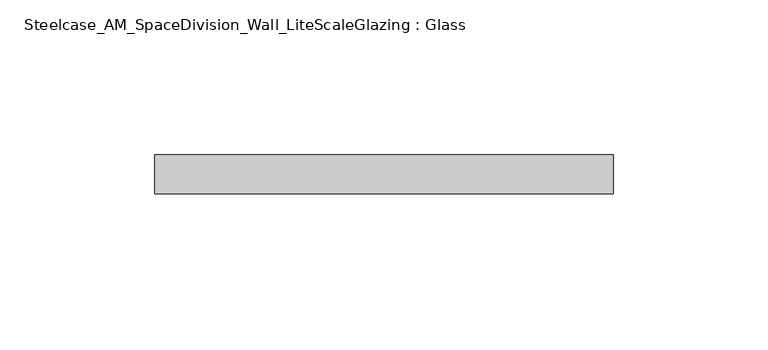
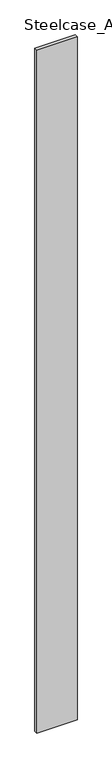
"""IFC4 building model written with IfcOpenShell, lengths in millimetres: plate geometry, Steelcase_AM_SpaceDivision_Wall_LiteScaleGlazing : Glass."""

from ifc_helpers import new_model, si_unit, origin, origin_with_axes, place, context, project, spatial, polyline, outline, extrude, source, transform, mapped, element, save


def steelcase_am_spacedivision_wall_litescaleglazing_glass_fe80941a(model_context):
    return source(origin(), model_context, "Body", "SweptSolid", [
        extrude(outline(polyline([(-74.168, -6.349956), (-74.168, 6.3502015), (74.168, 6.3502015), (74.168, -6.349956), (-74.168, -6.349956)])), origin_with_axes(), (0.0, 0.0, 1.0), 2665.984),
    ])


if __name__ == "__main__":
    model = new_model("IFC4")
    model_context = context("Model", 3, world=origin())
    ifc_project = project(units=[si_unit("LENGTHUNIT", "METRE", prefix="MILLI")], contexts=[model_context])
    site = spatial("IfcSite", under=ifc_project)
    building = spatial("IfcBuilding", under=site)
    placement = place(None, origin())
    steelcase_am_spacedivision_wall_litescaleglazing_glass_shape = steelcase_am_spacedivision_wall_litescaleglazing_glass_fe80941a(model_context)
    element("IfcPlate", 1, ObjectType="Steelcase_AM_SpaceDivision_Wall_LiteScaleGlazing : Glass", at=placement, inside=building, context=model_context, shape_type="MappedRepresentation", body=[
        mapped(steelcase_am_spacedivision_wall_litescaleglazing_glass_shape, transform((0.0, 0.0, 0.0), x_axis=(1.0, 0.0, 0.0), y_axis=(0.0, 1.0, 0.0), z_axis=(0.0, 0.0, 1.0))),
    ])
    save(model, "model.ifc")
